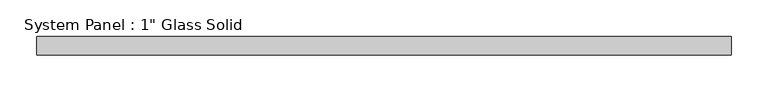
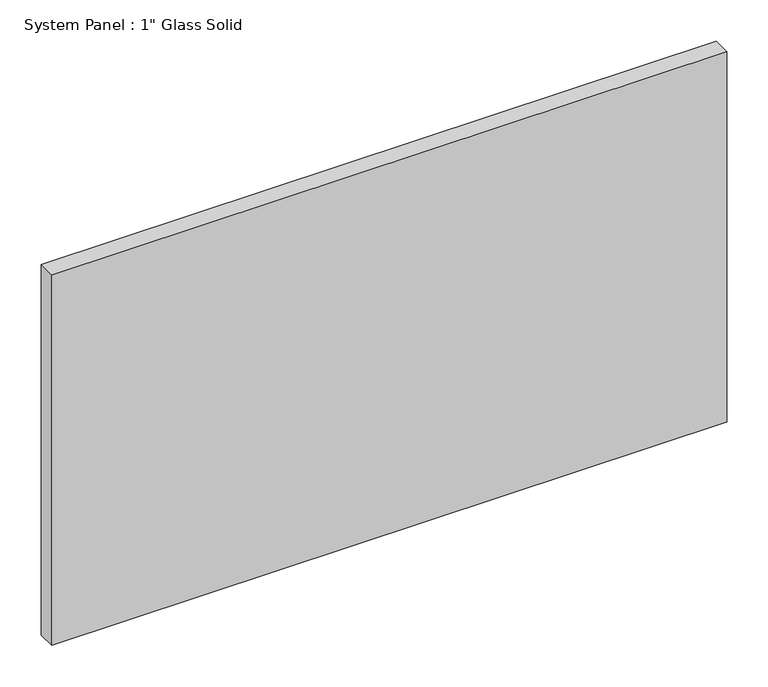
"""IFC4 building model written with IfcOpenShell, lengths in millimetres: plate geometry."""

from ifc_helpers import new_model, si_unit, origin, origin_with_axes, place, context, project, spatial, polyline, outline, extrude, source, transform, mapped, element, save


def plate_5e60b3a0(model_context):
    return source(origin(), model_context, "Body", "SweptSolid", [
        extrude(outline(polyline([(473.0758852, -12.7), (-473.0758852, -12.7), (-473.0758852, 12.7), (473.0758852, 12.7), (473.0758852, -12.7)])), origin_with_axes(), (0.0, 0.0, 1.0), 549.2785408),
    ])


if __name__ == "__main__":
    model = new_model("IFC4")
    model_context = context("Model", 3, world=origin())
    ifc_project = project(units=[si_unit("LENGTHUNIT", "METRE", prefix="MILLI")], contexts=[model_context])
    site = spatial("IfcSite", under=ifc_project)
    building = spatial("IfcBuilding", under=site)
    placement = place(None, origin())
    plate_shape = plate_5e60b3a0(model_context)
    element("IfcPlate", 1, ObjectType="System Panel : 1\" Glass Solid", at=placement, inside=building, context=model_context, shape_type="MappedRepresentation", body=[
        mapped(plate_shape, transform((0.0, 0.0, 0.0), x_axis=(1.0, 0.0, 0.0), y_axis=(0.0, 1.0, 0.0), z_axis=(0.0, 0.0, 1.0))),
    ])
    save(model, "model.ifc")
